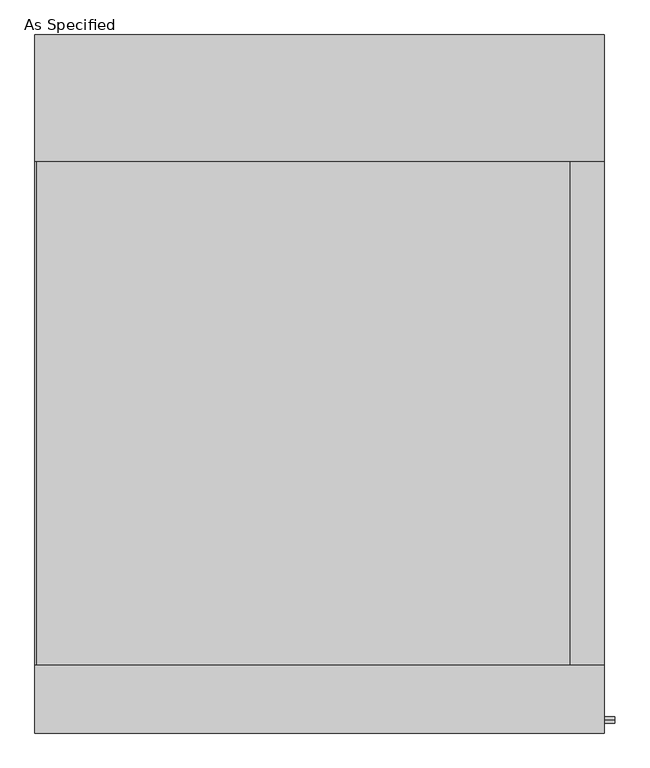
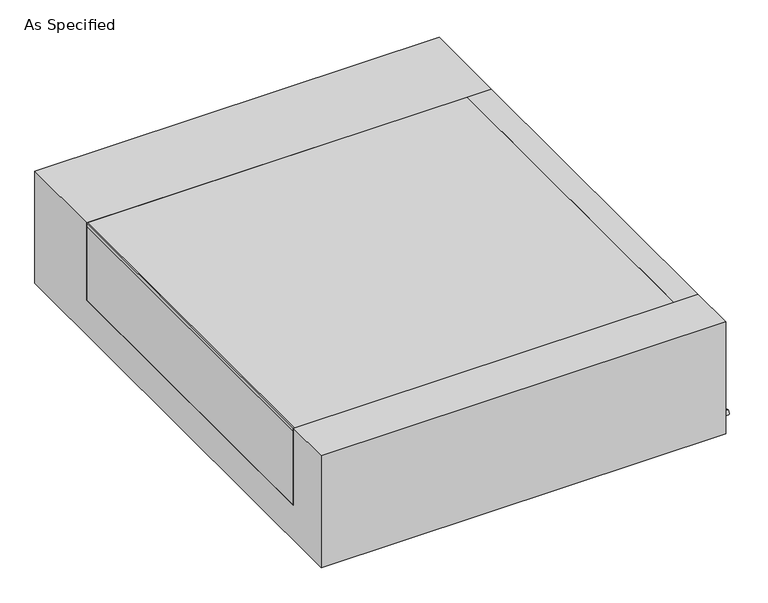
"""IFC4 building model written with IfcOpenShell, lengths in millimetres: proxy geometry, As Specified."""

from ifc_helpers import new_model, si_unit, point, frame, frame_2d, origin, place, context, project, spatial, polyline, circle_curve, trimmed, segment, composite_curve, outline, extrude, source, transform, mapped, element, save


def as_specified_2201974b(model_context):
    return source(origin(), model_context, "Body", "SweptSolid", [
        extrude(outline(composite_curve([segment(trimmed(circle_curve(frame_2d((-1017.5875, -466.725)), 10.5), [point((-1017.5875, -456.225))], [point((-1017.5875, -477.225))], False, "CARTESIAN"), True, "CONTINUOUS"), segment(trimmed(circle_curve(frame_2d((-1017.5875, -466.725)), 10.5), [point((-1017.5875, -477.225))], [point((-1017.5875, -456.225))], False, "CARTESIAN"), True, "CONTINUOUS")], self_intersect=False)), frame((862.0125, 0.0, 0.0), z_axis=(1.0, 0.0, 0.0), x_axis=(0.0, 1.0, 0.0)), (0.0, 0.0, 1.0), 31.8403384),
        extrude(outline(polyline([(759.61875, -850.9), (759.61875, 673.1), (862.0125, 673.1), (862.0125, -850.9), (759.61875, -850.9)])), frame((0.0, 0.0, -373.0625), z_axis=(0.0, 0.0, 1.0), x_axis=(1.0, 0.0, 0.0)), (0.0, 0.0, 1.0), 347.6625),
        extrude(outline(polyline([(-858.04375, -850.9), (-862.0125, -850.9), (-862.0125, 673.1), (-858.04375, 673.1), (-858.04375, -850.9)])), frame((0.0, 0.0, -39.6875), z_axis=(0.0, 0.0, 1.0), x_axis=(1.0, 0.0, 0.0)), (0.0, 0.0, 1.0), 14.2875),
        extrude(outline(polyline([(759.61875, 673.1), (759.61875, -850.9), (-862.0125, -850.9), (-862.0125, 673.1), (759.61875, 673.1)])), frame((0.0, 0.0, -373.0625), z_axis=(0.0, 0.0, 1.0), x_axis=(1.0, 0.0, 0.0)), (0.0, 0.0, 1.0), 347.6625),
        extrude(outline(polyline([(1057.275, -25.4), (1057.275, -530.225), (-1057.275, -530.225), (-1057.275, -25.4), (-850.9, -25.4), (-850.9, -373.0625), (673.1, -373.0625), (673.1, -25.4), (1057.275, -25.4)])), frame((-862.0125, 0.0, 0.0), z_axis=(1.0, 0.0, 0.0), x_axis=(0.0, 1.0, 0.0)), (0.0, 0.0, 1.0), 1724.025),
    ])


if __name__ == "__main__":
    model = new_model("IFC4")
    model_context = context("Model", 3, world=origin())
    ifc_project = project(units=[si_unit("LENGTHUNIT", "METRE", prefix="MILLI")], contexts=[model_context])
    site = spatial("IfcSite", under=ifc_project)
    building = spatial("IfcBuilding", under=site)
    placement = place(None, origin())
    as_specified_shape = as_specified_2201974b(model_context)
    element("IfcBuildingElementProxy", 1, Name="As Specified", ObjectType="As Specified", at=placement, inside=building, context=model_context, shape_type="MappedRepresentation", body=[
        mapped(as_specified_shape, transform((0.0, 0.0, 0.0), x_axis=(1.0, 0.0, 0.0), y_axis=(0.0, 1.0, 0.0), z_axis=(0.0, 0.0, 1.0))),
    ])
    save(model, "model.ifc")
